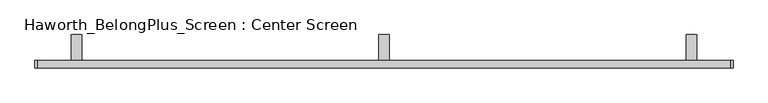
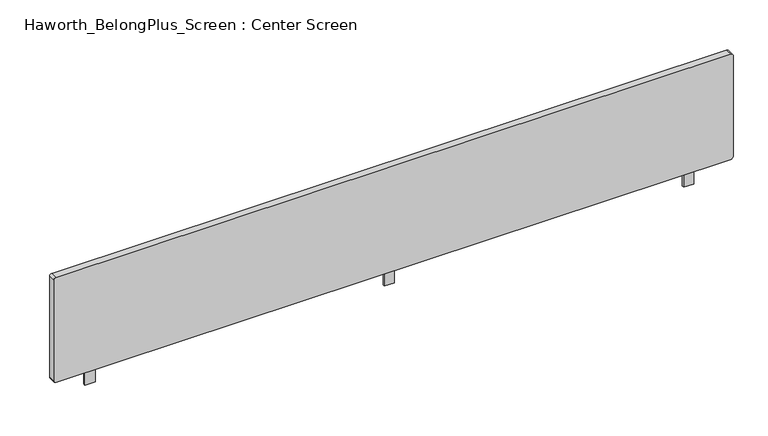
"""IFC4 building model written with IfcOpenShell, lengths in millimetres: furniture geometry, Haworth_BelongPlus_Screen : Center Screen."""

from ifc_helpers import new_model, si_unit, point, frame, frame_2d, origin, place, context, project, spatial, polyline, circle_curve, trimmed, segment, composite_curve, outline, extrude, source, transform, mapped, element, save


def haworth_belongplus_screen_center_screen_f7bbea62(model_context):
    return source(origin(), model_context, "Body", "SweptSolid", [
        extrude(outline(polyline([(11.1125, 706.4375), (90.4875, 706.4375), (90.4875, 700.0875), (17.4625, 700.0875), (17.4625, 654.05), (11.1125, 654.05), (11.1125, 706.4375)])), frame((-48.5395436, 0.0, 0.0), z_axis=(1.0, 0.0, 0.0), x_axis=(0.0, 1.0, 0.0)), (0.0, 0.0, 1.0), 31.75),
        extrude(outline(polyline([(11.1125, 706.4375), (90.4875, 706.4375), (90.4875, 700.0875), (17.4625, 700.0875), (17.4625, 654.05), (11.1125, 654.05), (11.1125, 706.4375)])), frame((-988.3395436, 0.0, 0.0), z_axis=(1.0, 0.0, 0.0), x_axis=(0.0, 1.0, 0.0)), (0.0, 0.0, 1.0), 31.75),
        extrude(outline(polyline([(11.1125, 706.4375), (90.4875, 706.4375), (90.4875, 700.0875), (17.4625, 700.0875), (17.4625, 654.05), (11.1125, 654.05), (11.1125, 706.4375)])), frame((891.2604564, 0.0, 0.0), z_axis=(1.0, 0.0, 0.0), x_axis=(0.0, 1.0, 0.0)), (0.0, 0.0, 1.0), 31.75),
        extrude(outline(composite_curve([segment(polyline([(1062.0375, 1026.1979564), (1062.0375, -1091.5270436)]), True, "CONTINUOUS"), segment(trimmed(circle_curve(frame_2d((1054.1, -1091.5270436)), 7.9375), [point((1062.0375, -1091.5270436))], [point((1054.1, -1099.4645436))], False, "CARTESIAN"), True, "CONTINUOUS"), segment(polyline([(1054.1, -1099.4645436), (720.725, -1099.4645436)]), True, "CONTINUOUS"), segment(trimmed(circle_curve(frame_2d((720.725, -1091.5270436)), 7.9375), [point((720.725, -1099.4645436))], [point((712.7875, -1091.5270436))], False, "CARTESIAN"), True, "CONTINUOUS"), segment(polyline([(712.7875, -1091.5270436), (712.7875, 1026.1979564)]), True, "CONTINUOUS"), segment(trimmed(circle_curve(frame_2d((720.725, 1026.1979564)), 7.9375), [point((712.7875, 1026.1979564))], [point((720.725, 1034.1354564))], False, "CARTESIAN"), True, "CONTINUOUS"), segment(polyline([(720.725, 1034.1354564), (1054.1, 1034.1354564)]), True, "CONTINUOUS"), segment(trimmed(circle_curve(frame_2d((1054.1, 1026.1979564)), 7.9375), [point((1054.1, 1034.1354564))], [point((1062.0375, 1026.1979564))], False, "CARTESIAN"), True, "CONTINUOUS")], self_intersect=False)), frame((0.0, -11.1125, 0.0), z_axis=(0.0, 1.0, 0.0), x_axis=(0.0, 0.0, 1.0)), (0.0, 0.0, 1.0), 22.225),
    ])


if __name__ == "__main__":
    model = new_model("IFC4")
    model_context = context("Model", 3, world=origin())
    ifc_project = project(units=[si_unit("LENGTHUNIT", "METRE", prefix="MILLI")], contexts=[model_context])
    site = spatial("IfcSite", under=ifc_project)
    building = spatial("IfcBuilding", under=site)
    placement = place(None, origin())
    haworth_belongplus_screen_center_screen_shape = haworth_belongplus_screen_center_screen_f7bbea62(model_context)
    element("IfcFurniture", 1, ObjectType="Haworth_BelongPlus_Screen : Center Screen", at=placement, inside=building, context=model_context, shape_type="MappedRepresentation", body=[
        mapped(haworth_belongplus_screen_center_screen_shape, transform((0.0, 0.0, 0.0), x_axis=(1.0, 0.0, 0.0), y_axis=(0.0, 1.0, 0.0), z_axis=(0.0, 0.0, 1.0))),
    ])
    save(model, "model.ifc")
